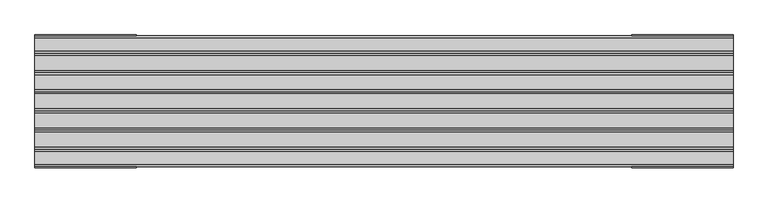
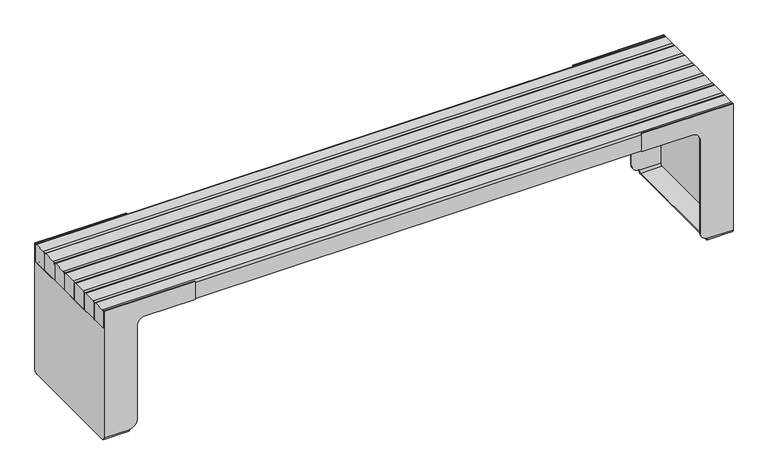
"""IFC4 building model written with IfcOpenShell, lengths in millimetres: furniture geometry."""

from ifc_helpers import new_model, si_unit, point, frame, frame_2d, origin, place, context, project, spatial, polyline, circle_curve, trimmed, segment, composite_curve, outline, extrude, source, transform, mapped, element, save
from ifc_brep_helpers import plane_surface, cylinder_surface, revolved_surface, advanced_brep


def furniture_72da6de6(model_context):
    return source(origin(), model_context, "Body", "SolidModel", [
        advanced_brep(
        [(920.0000032, 190.4999943, 10.0), (920.0000032, 180.4999943, 0.0), (920.0000032, -180.5000057, 0.0), (920.0000032, -190.5000057, 10.0), (920.0000032, -190.5000057, 11.2), (920.0000032, -187.5000057, 11.2), (920.0000032, -187.5000057, 9.6519473), (920.0000032, -180.5000057, 2.6519473), (920.0000032, 180.4999958, 2.6519473), (920.0000032, 187.4999958, 9.6519473), (920.0000032, 187.4999958, 11.2), (920.0000032, 190.4999943, 11.2), (920.0000032, 180.4999958, 372.0000043), (920.0000032, -180.5000057, 372.0000043), (920.0000032, -187.5000057, 365.0000043), (920.0000032, -187.4999958, 375.0000029), (920.0000032, 187.4999958, 375.0000029), (920.0000032, 187.4999958, 365.0000043), (1000.0000075, 190.5000057, 435.0000106), (1000.0000075, 187.4999958, 435.0000106), (1000.0000075, 187.4999958, 375.0000029), (1000.0000075, -187.4999958, 375.0000029), (1000.0000075, -187.4999958, 435.0000106), (1000.0000075, -190.5000057, 435.0000106), (1000.0000075, -190.5000057, 10.0), (1000.0000075, -180.5000057, 0.0), (1000.0000075, 180.4999943, 0.0), (1000.0000075, 190.4999943, 10.0), (895.000003, 190.4999943, 36.2000001), (895.000003, 190.4999943, 350.0000029), (870.000003, 190.4999943, 375.0000029), (710.0000125, 190.4999943, 375.0000029), (710.0000125, 190.4999943, 435.0000106), (710.0000125, -190.5000057, 435.0000106), (710.0000125, -190.5000057, 375.0000029), (870.000003, -190.5000057, 375.0000029), (895.000003, -190.5000057, 350.0000029), (895.000003, -190.5000057, 36.2000001), (895.000003, -187.4999958, 36.2000001), (895.000003, -187.4999958, 350.0000029), (870.000003, -187.4999958, 375.0000029), (710.0000125, -187.4999958, 375.0000029), (710.0000125, -187.4999958, 435.0000106), (895.000003, 187.4999958, 36.2000001), (895.000003, 187.4999958, 350.0000029), (870.000003, 187.4999958, 375.0000029), (710.0000125, 187.4999958, 375.0000029), (710.0000125, 187.4999958, 435.0000106), (989.0000078, 187.4999958, 365.0000043), (989.0000078, 187.4999958, 9.6519473), (989.0000078, 180.4999958, 2.6519473), (989.0000078, -180.5000057, 2.6519473), (989.0000078, -187.5000057, 9.6519473), (989.0000078, -187.5000057, 365.0000043), (989.0000078, -180.5000057, 372.0000043), (989.0000078, 180.4999958, 372.0000043)],
        [
            (0, 1, circle_curve(frame((920.0000032, 180.4999943, 10.0), z_axis=(-1.0, 0.0, 0.0), x_axis=(0.0, -1.0, 0.0)), 10.0)),
            (1, 2),
            (2, 3, circle_curve(frame((920.0000032, -180.5000057, 10.0), z_axis=(-1.0, 0.0, 0.0), x_axis=(0.0, -1.0, 0.0)), 10.0)),
            (3, 4),
            (4, 5),
            (5, 6),
            (6, 7, circle_curve(frame((920.0000032, -180.5000057, 9.6519473), z_axis=(1.0, 0.0, 0.0), x_axis=(0.0, -1.0, 0.0)), 7.0)),
            (7, 8),
            (8, 9, circle_curve(frame((920.0000032, 180.4999958, 9.6519473), z_axis=(1.0, 0.0, 0.0), x_axis=(0.0, -1.0, 0.0)), 7.0)),
            (9, 10),
            (10, 11),
            (11, 0),
            (12, 13),
            (13, 14, circle_curve(frame((920.0000032, -180.5000057, 365.0000043), z_axis=(1.0, 0.0, 0.0), x_axis=(0.0, -1.0, 0.0)), 7.0)),
            (14, 15),
            (15, 16),
            (16, 17),
            (17, 12, circle_curve(frame((920.0000032, 180.4999958, 365.0000043), z_axis=(1.0, 0.0, 0.0), x_axis=(0.0, -1.0, 0.0)), 7.0)),
            (18, 19),
            (19, 20),
            (20, 21),
            (21, 22),
            (22, 23),
            (23, 24),
            (24, 25, circle_curve(frame((1000.0000075, -180.5000057, 10.0), z_axis=(1.0, 0.0, 0.0), x_axis=(0.0, -1.0, 0.0)), 10.0)),
            (25, 26),
            (26, 27, circle_curve(frame((1000.0000075, 180.4999943, 10.0), z_axis=(1.0, 0.0, 0.0), x_axis=(0.0, -1.0, 0.0)), 10.0)),
            (27, 18),
            (27, 0),
            (11, 28, circle_curve(frame((920.0000032, 190.4999943, 36.2000001), z_axis=(0.0, 1.0, 0.0), x_axis=(-1.0, 0.0, 0.0)), 25.0000002)),
            (28, 29),
            (29, 30, circle_curve(frame((870.000003, 190.4999943, 350.0000029), z_axis=(0.0, -1.0, 0.0), x_axis=(-1.0, 0.0, 0.0)), 25.0)),
            (30, 31),
            (31, 32),
            (32, 18),
            (15, 21),
            (20, 16),
            (3, 24),
            (23, 33),
            (33, 34),
            (34, 35),
            (35, 36, circle_curve(frame((870.000003, -190.5000057, 350.0000029), z_axis=(0.0, 1.0, 0.0), x_axis=(-1.0, 0.0, 0.0)), 25.0)),
            (36, 37),
            (37, 4, circle_curve(frame((920.0000032, -190.5000057, 36.2000001), z_axis=(0.0, -1.0, 0.0), x_axis=(-1.0, 0.0, 0.0)), 25.0000002)),
            (2, 25),
            (1, 26),
            (37, 38),
            (38, 5, circle_curve(frame((920.0000032, -187.4999958, 36.2000001), z_axis=(0.0, -1.0, 0.0), x_axis=(-1.0, 0.0, 0.0)), 25.0000002)),
            (36, 39),
            (39, 38),
            (35, 40),
            (40, 39, circle_curve(frame((870.000003, -187.4999958, 350.0000029), z_axis=(0.0, 1.0, 0.0), x_axis=(-1.0, 0.0, 0.0)), 25.0)),
            (34, 41),
            (41, 40),
            (33, 42),
            (42, 41),
            (22, 42),
            (10, 43, circle_curve(frame((920.0000032, 187.4999958, 36.2000001), z_axis=(0.0, 1.0, 0.0), x_axis=(-1.0, 0.0, 0.0)), 25.0000002)),
            (43, 28),
            (43, 44),
            (44, 29),
            (44, 45, circle_curve(frame((870.000003, 187.4999958, 350.0000029), z_axis=(0.0, -1.0, 0.0), x_axis=(-1.0, 0.0, 0.0)), 25.0)),
            (45, 30),
            (45, 46),
            (46, 31),
            (46, 47),
            (47, 32),
            (47, 19),
            (48, 49),
            (49, 50, circle_curve(frame((989.0000078, 180.4999958, 9.6519473), z_axis=(-1.0, 0.0, 0.0), x_axis=(0.0, -1.0, 0.0)), 7.0)),
            (50, 51),
            (51, 52, circle_curve(frame((989.0000078, -180.5000057, 9.6519473), z_axis=(-1.0, 0.0, 0.0), x_axis=(0.0, -1.0, 0.0)), 7.0)),
            (52, 53),
            (53, 54, circle_curve(frame((989.0000078, -180.5000057, 365.0000043), z_axis=(-1.0, 0.0, 0.0), x_axis=(0.0, -1.0, 0.0)), 7.0)),
            (54, 55),
            (55, 48, circle_curve(frame((989.0000078, 180.4999958, 365.0000043), z_axis=(-1.0, 0.0, 0.0), x_axis=(0.0, -1.0, 0.0)), 7.0)),
            (54, 13),
            (12, 55),
            (52, 6),
            (14, 53),
            (50, 8),
            (7, 51),
            (48, 17),
            (9, 49),
        ],
        [
            plane_surface(frame((920.0000032, 170.4999943, 10.0), z_axis=(-1.0, 0.0, 0.0), x_axis=(0.0, 0.0, 1.0))),
            plane_surface(frame((1000.0000075, 170.4999943, 10.0), z_axis=(1.0, 0.0, 0.0), x_axis=(0.0, 0.0, -1.0))),
            plane_surface(frame((920.0000032, 190.4999943, 375.0000029), z_axis=(0.0, 1.0, 0.0), x_axis=(1.0, 0.0, 0.0))),
            plane_surface(frame((920.0000032, -190.5000057, 375.0000029), z_axis=(0.0, 0.0, 1.0), x_axis=(1.0, 0.0, 0.0))),
            plane_surface(frame((920.0000032, -190.5000057, 10.0), z_axis=(0.0, -1.0, 0.0), x_axis=(1.0, 0.0, 0.0))),
            cylinder_surface(frame((1000.0000075, -180.5000057, 10.0), z_axis=(-1.0, 0.0, 0.0), x_axis=(0.0, -1.0, 0.0)), 10.0),
            plane_surface(frame((920.0000032, 180.4999943, 0.0), z_axis=(0.0, 0.0, -1.0), x_axis=(1.0, 0.0, 0.0))),
            cylinder_surface(frame((1000.0000075, 180.4999943, 10.0), z_axis=(-1.0, 0.0, 0.0), x_axis=(0.0, -1.0, 0.0)), 10.0),
            cylinder_surface(frame((920.0000032, -187.4999958, 36.2000001), z_axis=(0.0, -1.0, 0.0), x_axis=(-1.0, 0.0, 0.0)), 25.0000002),
            plane_surface(frame((895.000003, -190.5000057, 350.0000029), z_axis=(-1.0, 0.0, 0.0), x_axis=(0.0, 1.0, 0.0))),
            revolved_surface(polyline([(845.000003, -187.4999958, 350.0000029), (845.000003, -190.5000057, 350.0000029)]), (870.000003, -187.4999958, 350.0000029), (0.0, 1.0, 0.0)),
            plane_surface(frame((710.0000125, -190.5000057, 375.0000029), z_axis=(0.0, 0.0, -1.0), x_axis=(0.0, 1.0, 0.0))),
            plane_surface(frame((710.0000125, -190.5000057, 435.0000106), z_axis=(-1.0, 0.0, 0.0), x_axis=(0.0, 1.0, 0.0))),
            plane_surface(frame((1000.0000075, -190.5000057, 435.0000106), z_axis=(0.0, 0.0, 1.0), x_axis=(0.0, 1.0, 0.0))),
            cylinder_surface(frame((920.0000032, 187.4999958, 36.2000001), z_axis=(0.0, 1.0, 0.0), x_axis=(-1.0, 0.0, 0.0)), 25.0000002),
            plane_surface(frame((895.000003, 190.5000057, 36.2000001), z_axis=(-1.0, 0.0, 0.0), x_axis=(0.0, -1.0, 0.0))),
            revolved_surface(polyline([(845.000003, 187.4999958, 350.0000029), (845.000003, 190.4999943, 350.0000029)]), (870.000003, 187.4999958, 350.0000029), (0.0, -1.0, 0.0)),
            plane_surface(frame((870.000003, 190.5000057, 375.0000029), z_axis=(0.0, 0.0, -1.0), x_axis=(0.0, -1.0, 0.0))),
            plane_surface(frame((710.0000125, 190.5000057, 375.0000029), z_axis=(-1.0, 0.0, 0.0), x_axis=(0.0, -1.0, 0.0))),
            plane_surface(frame((710.0000125, 190.5000057, 435.0000106), z_axis=(0.0, 0.0, 1.0), x_axis=(0.0, -1.0, 0.0))),
            plane_surface(frame((989.0000078, 187.4999958, 11.3137092), z_axis=(-1.0, 0.0, 0.0), x_axis=(0.0, 0.0, 1.0))),
            plane_surface(frame((870.0000119, -180.5000057, 372.0000043), z_axis=(0.0, 0.0, -1.0), x_axis=(1.0, 0.0, 0.0))),
            plane_surface(frame((870.0000119, -187.5000057, 9.6519473), z_axis=(0.0, 1.0, 0.0), x_axis=(1.0, 0.0, 0.0))),
            plane_surface(frame((870.0000119, 180.4999958, 2.6519473), z_axis=(0.0, 0.0, 1.0), x_axis=(1.0, 0.0, 0.0))),
            plane_surface(frame((870.0000119, 187.4999958, 365.0000043), z_axis=(0.0, -1.0, 0.0), x_axis=(1.0, 0.0, 0.0))),
            revolved_surface(polyline([(920.0000032, 173.4999958, 365.0000043), (989.0000078, 173.4999958, 365.0000043)]), (989.0000078, 180.4999958, 365.0000043), (-1.0, 0.0, 0.0)),
            revolved_surface(polyline([(920.0000032, -187.5000057, 365.0000043), (989.0000078, -187.5000057, 365.0000043)]), (989.0000078, -180.5000057, 365.0000043), (-1.0, 0.0, 0.0)),
            revolved_surface(polyline([(920.0000032, -187.5000057, 9.6519473), (989.0000078, -187.5000057, 9.6519473)]), (989.0000078, -180.5000057, 9.6519473), (-1.0, 0.0, 0.0)),
            revolved_surface(polyline([(920.0000032, 173.4999958, 9.6519473), (989.0000078, 173.4999958, 9.6519473)]), (989.0000078, 180.4999958, 9.6519473), (-1.0, 0.0, 0.0)),
        ],
        [
            (0, [[1, 2, 3, 4, 5, 6, 7, 8, 9, 10, 11, 12]]),
            (0, [[13, 14, 15, 16, 17, 18]]),
            (1, [[19, 20, 21, 22, 23, 24, 25, 26, 27, 28]]),
            (2, [[-28, 29, -12, 30, 31, 32, 33, 34, 35]]),
            (3, [[36, -21, 37, -16]]),
            (4, [[38, -24, 39, 40, 41, 42, 43, 44, -4]]),
            (5, [[-3, 45, -25, -38]]),
            (6, [[-2, 46, -26, -45]]),
            (7, [[-1, -29, -27, -46]]),
            (8, [[-44, 47, 48, -5]]),
            (9, [[-43, 49, 50, -47]]),
            (10, [[-42, 51, 52, -49]]),
            (11, [[-41, 53, 54, -51]]),
            (12, [[-40, 55, 56, -53]]),
            (13, [[-39, -23, 57, -55]]),
            (14, [[-30, -11, 58, 59]]),
            (15, [[-31, -59, 60, 61]]),
            (16, [[-32, -61, 62, 63]]),
            (17, [[-33, -63, 64, 65]]),
            (18, [[-34, -65, 66, 67]]),
            (19, [[-35, -67, 68, -19]]),
            (20, [[69, 70, 71, 72, 73, 74, 75, 76]]),
            (21, [[-75, 77, -13, 78]]),
            (22, [[-73, 79, -6, -48, -50, -52, -54, -56, -57, -22, -36, -15, 80]]),
            (23, [[-71, 81, -8, 82]]),
            (24, [[-69, 83, -17, -37, -20, -68, -66, -64, -62, -60, -58, -10, 84]]),
            (25, [[-76, -78, -18, -83]]),
            (26, [[-74, -80, -14, -77]]),
            (27, [[-72, -82, -7, -79]]),
            (28, [[-70, -84, -9, -81]]),
        ],
    ),
        advanced_brep(
        [(-920.0000032, -190.5000057, 10.0), (-920.0000032, -180.5000057, 0.0), (-920.0000032, 180.4999943, 0.0), (-920.0000032, 190.4999943, 10.0), (-920.0000032, 190.4999943, 11.2), (-920.0000032, 187.4999958, 11.2), (-920.0000032, 187.4999958, 9.6519473), (-920.0000032, 180.4999958, 2.6519473), (-920.0000032, -180.5000057, 2.6519473), (-920.0000032, -187.5000057, 9.6519473), (-920.0000032, -187.5000057, 11.2), (-920.0000032, -190.5000057, 11.2), (-920.0000032, -180.5000057, 372.0000043), (-920.0000032, 180.4999958, 372.0000043), (-920.0000032, 187.4999958, 365.0000043), (-920.0000032, 187.4999958, 375.0000029), (-920.0000032, -187.4999958, 375.0000029), (-920.0000032, -187.4999958, 365.0000043), (-1000.0000075, 190.4999943, 10.0), (-1000.0000075, 180.4999943, 0.0), (-1000.0000075, -180.5000057, 0.0), (-1000.0000075, -190.5000057, 10.0), (-1000.0000075, -190.5000057, 435.0000106), (-1000.0000075, -187.4999958, 435.0000106), (-1000.0000075, -187.4999958, 375.0000029), (-1000.0000075, 187.4999958, 375.0000029), (-1000.0000075, 187.4999958, 435.0000106), (-1000.0000075, 190.5000057, 435.0000106), (-710.0000125, 190.4999943, 435.0000106), (-710.0000125, 190.4999943, 375.0000029), (-870.000003, 190.4999943, 375.0000029), (-895.000003, 190.4999943, 350.0000029), (-895.000003, 190.4999943, 36.2000001), (-895.000003, -190.5000057, 36.2000001), (-895.000003, -190.5000057, 350.0000029), (-870.000003, -190.5000057, 375.0000029), (-710.0000125, -190.5000057, 375.0000029), (-710.0000125, -190.5000057, 435.0000106), (-895.000003, -187.4999958, 36.2000001), (-895.000003, -187.4999958, 350.0000029), (-870.000003, -187.4999958, 375.0000029), (-710.0000125, -187.4999958, 375.0000029), (-710.0000125, -187.4999958, 435.0000106), (-895.000003, 187.4999958, 36.2000001), (-895.000003, 187.4999958, 350.0000029), (-870.000003, 187.4999958, 375.0000029), (-710.0000125, 187.4999958, 375.0000029), (-710.0000125, 187.4999958, 435.0000106), (-989.0000078, 187.4999958, 365.0000043), (-989.0000078, 180.4999958, 372.0000043), (-989.0000078, -180.5000057, 372.0000043), (-989.0000078, -187.5000057, 365.0000043), (-989.0000078, -187.5000057, 9.6519473), (-989.0000078, -180.5000057, 2.6519473), (-989.0000078, 180.4999958, 2.6519473), (-989.0000078, 187.4999958, 9.6519473)],
        [
            (0, 1, circle_curve(frame((-920.0000032, -180.5000057, 10.0), z_axis=(1.0, 0.0, 0.0), x_axis=(0.0, -1.0, 0.0)), 10.0)),
            (1, 2),
            (2, 3, circle_curve(frame((-920.0000032, 180.4999943, 10.0), z_axis=(1.0, 0.0, 0.0), x_axis=(0.0, -1.0, 0.0)), 10.0)),
            (3, 4),
            (4, 5),
            (5, 6),
            (6, 7, circle_curve(frame((-920.0000032, 180.4999958, 9.6519473), z_axis=(-1.0, 0.0, 0.0), x_axis=(0.0, -1.0, 0.0)), 7.0)),
            (7, 8),
            (8, 9, circle_curve(frame((-920.0000032, -180.5000057, 9.6519473), z_axis=(-1.0, 0.0, 0.0), x_axis=(0.0, -1.0, 0.0)), 7.0)),
            (9, 10),
            (10, 11),
            (11, 0),
            (12, 13),
            (13, 14, circle_curve(frame((-920.0000032, 180.4999958, 365.0000043), z_axis=(-1.0, 0.0, 0.0), x_axis=(0.0, -1.0, 0.0)), 7.0)),
            (14, 15),
            (15, 16),
            (16, 17),
            (17, 12, circle_curve(frame((-920.0000032, -180.5000057, 365.0000043), z_axis=(-1.0, 0.0, 0.0), x_axis=(0.0, -1.0, 0.0)), 7.0)),
            (18, 19, circle_curve(frame((-1000.0000075, 180.4999943, 10.0), z_axis=(-1.0, 0.0, 0.0), x_axis=(0.0, -1.0, 0.0)), 10.0)),
            (19, 20),
            (20, 21, circle_curve(frame((-1000.0000075, -180.5000057, 10.0), z_axis=(-1.0, 0.0, 0.0), x_axis=(0.0, -1.0, 0.0)), 10.0)),
            (21, 22),
            (22, 23),
            (23, 24),
            (24, 25),
            (25, 26),
            (26, 27),
            (27, 18),
            (27, 28),
            (28, 29),
            (29, 30),
            (30, 31, circle_curve(frame((-870.000003, 190.4999943, 350.0000029), z_axis=(0.0, -1.0, 0.0), x_axis=(1.0, 0.0, 0.0)), 25.0)),
            (31, 32),
            (32, 4, circle_curve(frame((-920.0000032, 190.4999943, 36.2000001), z_axis=(0.0, 1.0, 0.0), x_axis=(1.0, 0.0, 0.0)), 25.0000002)),
            (3, 18),
            (24, 16),
            (15, 25),
            (21, 0),
            (11, 33, circle_curve(frame((-920.0000032, -190.5000057, 36.2000001), z_axis=(0.0, -1.0, 0.0), x_axis=(1.0, 0.0, 0.0)), 25.0000002)),
            (33, 34),
            (34, 35, circle_curve(frame((-870.000003, -190.5000057, 350.0000029), z_axis=(0.0, 1.0, 0.0), x_axis=(1.0, 0.0, 0.0)), 25.0)),
            (35, 36),
            (36, 37),
            (37, 22),
            (20, 1),
            (19, 2),
            (10, 38, circle_curve(frame((-920.0000032, -187.4999958, 36.2000001), z_axis=(0.0, -1.0, 0.0), x_axis=(1.0, 0.0, 0.0)), 25.0000002)),
            (38, 33),
            (38, 39),
            (39, 34),
            (39, 40, circle_curve(frame((-870.000003, -187.4999958, 350.0000029), z_axis=(0.0, 1.0, 0.0), x_axis=(1.0, 0.0, 0.0)), 25.0)),
            (40, 35),
            (40, 41),
            (41, 36),
            (41, 42),
            (42, 37),
            (42, 23),
            (32, 43),
            (43, 5, circle_curve(frame((-920.0000032, 187.4999958, 36.2000001), z_axis=(0.0, 1.0, 0.0), x_axis=(1.0, 0.0, 0.0)), 25.0000002)),
            (31, 44),
            (44, 43),
            (30, 45),
            (45, 44, circle_curve(frame((-870.000003, 187.4999958, 350.0000029), z_axis=(0.0, -1.0, 0.0), x_axis=(1.0, 0.0, 0.0)), 25.0)),
            (29, 46),
            (46, 45),
            (28, 47),
            (47, 46),
            (26, 47),
            (48, 49, circle_curve(frame((-989.0000078, 180.4999958, 365.0000043), z_axis=(1.0, 0.0, 0.0), x_axis=(0.0, -1.0, 0.0)), 7.0)),
            (49, 50),
            (50, 51, circle_curve(frame((-989.0000078, -180.5000057, 365.0000043), z_axis=(1.0, 0.0, 0.0), x_axis=(0.0, -1.0, 0.0)), 7.0)),
            (51, 52),
            (52, 53, circle_curve(frame((-989.0000078, -180.5000057, 9.6519473), z_axis=(1.0, 0.0, 0.0), x_axis=(0.0, -1.0, 0.0)), 7.0)),
            (53, 54),
            (54, 55, circle_curve(frame((-989.0000078, 180.4999958, 9.6519473), z_axis=(1.0, 0.0, 0.0), x_axis=(0.0, -1.0, 0.0)), 7.0)),
            (55, 48),
            (49, 13),
            (12, 50),
            (51, 17),
            (9, 52),
            (53, 8),
            (7, 54),
            (55, 6),
            (14, 48),
        ],
        [
            plane_surface(frame((-920.0000032, 190.4999943, 375.0000029), z_axis=(1.0, 0.0, 0.0), x_axis=(0.0, 0.0, 1.0))),
            plane_surface(frame((-1000.0000075, 190.4999943, 375.0000029), z_axis=(-1.0, 0.0, 0.0), x_axis=(0.0, 0.0, -1.0))),
            plane_surface(frame((-920.0000032, 190.4999943, 10.0), z_axis=(0.0, 1.0, 0.0), x_axis=(-1.0, 0.0, 0.0))),
            plane_surface(frame((-920.0000032, 190.4999943, 375.0000029), z_axis=(0.0, 0.0, 1.0), x_axis=(-1.0, 0.0, 0.0))),
            plane_surface(frame((-920.0000032, -190.5000057, 375.0000029), z_axis=(0.0, -1.0, 0.0), x_axis=(-1.0, 0.0, 0.0))),
            cylinder_surface(frame((-1000.0000075, -180.5000057, 10.0), z_axis=(1.0, 0.0, 0.0), x_axis=(0.0, -1.0, 0.0)), 10.0),
            plane_surface(frame((-920.0000032, -180.5000057, 0.0), z_axis=(0.0, 0.0, -1.0), x_axis=(-1.0, 0.0, 0.0))),
            cylinder_surface(frame((-1000.0000075, 180.4999943, 10.0), z_axis=(1.0, 0.0, 0.0), x_axis=(0.0, -1.0, 0.0)), 10.0),
            cylinder_surface(frame((-920.0000032, -187.4999958, 36.2000001), z_axis=(0.0, -1.0, 0.0), x_axis=(1.0, 0.0, 0.0)), 25.0000002),
            plane_surface(frame((-895.000003, -190.5000057, 36.2000001), z_axis=(1.0, 0.0, 0.0), x_axis=(0.0, 1.0, 0.0))),
            revolved_surface(polyline([(-845.000003, -187.4999958, 350.0000029), (-845.000003, -190.5000057, 350.0000029)]), (-870.000003, -187.4999958, 350.0000029), (0.0, 1.0, 0.0)),
            plane_surface(frame((-870.000003, -190.5000057, 375.0000029), z_axis=(0.0, 0.0, -1.0), x_axis=(0.0, 1.0, 0.0))),
            plane_surface(frame((-710.0000125, -190.5000057, 375.0000029), z_axis=(1.0, 0.0, 0.0), x_axis=(0.0, 1.0, 0.0))),
            plane_surface(frame((-710.0000125, -190.5000057, 435.0000106), z_axis=(0.0, 0.0, 1.0), x_axis=(0.0, 1.0, 0.0))),
            cylinder_surface(frame((-920.0000032, 187.4999958, 36.2000001), z_axis=(0.0, 1.0, 0.0), x_axis=(1.0, 0.0, 0.0)), 25.0000002),
            plane_surface(frame((-895.000003, 190.5000057, 350.0000029), z_axis=(1.0, 0.0, 0.0), x_axis=(0.0, -1.0, 0.0))),
            revolved_surface(polyline([(-845.000003, 187.4999958, 350.0000029), (-845.000003, 190.4999943, 350.0000029)]), (-870.000003, 187.4999958, 350.0000029), (0.0, -1.0, 0.0)),
            plane_surface(frame((-710.0000125, 190.5000057, 375.0000029), z_axis=(0.0, 0.0, -1.0), x_axis=(0.0, -1.0, 0.0))),
            plane_surface(frame((-710.0000125, 190.5000057, 435.0000106), z_axis=(1.0, 0.0, 0.0), x_axis=(0.0, -1.0, 0.0))),
            plane_surface(frame((-1000.0000075, 190.5000057, 435.0000106), z_axis=(0.0, 0.0, 1.0), x_axis=(0.0, -1.0, 0.0))),
            plane_surface(frame((-989.0000078, 173.4999958, 365.0000043), z_axis=(1.0, 0.0, 0.0), x_axis=(0.0, 0.0, 1.0))),
            plane_surface(frame((-870.0000119, 180.4999958, 372.0000043), z_axis=(0.0, 0.0, -1.0), x_axis=(-1.0, 0.0, 0.0))),
            plane_surface(frame((-870.0000119, -187.5000057, 365.0000043), z_axis=(0.0, 1.0, 0.0), x_axis=(-1.0, 0.0, 0.0))),
            plane_surface(frame((-870.0000119, -180.5000057, 2.6519473), z_axis=(0.0, 0.0, 1.0), x_axis=(-1.0, 0.0, 0.0))),
            plane_surface(frame((-870.0000119, 187.4999958, 9.6519473), z_axis=(0.0, -1.0, 0.0), x_axis=(-1.0, 0.0, 0.0))),
            revolved_surface(polyline([(-920.0000032, 173.4999958, 365.0000043), (-989.0000078, 173.4999958, 365.0000043)]), (-989.0000078, 180.4999958, 365.0000043), (1.0, 0.0, 0.0)),
            revolved_surface(polyline([(-920.0000032, -187.5000057, 365.0000043), (-989.0000078, -187.5000057, 365.0000043)]), (-989.0000078, -180.5000057, 365.0000043), (1.0, 0.0, 0.0)),
            revolved_surface(polyline([(-920.0000032, -187.5000057, 9.6519473), (-989.0000078, -187.5000057, 9.6519473)]), (-989.0000078, -180.5000057, 9.6519473), (1.0, 0.0, 0.0)),
            revolved_surface(polyline([(-920.0000032, 173.4999958, 9.6519473), (-989.0000078, 173.4999958, 9.6519473)]), (-989.0000078, 180.4999958, 9.6519473), (1.0, 0.0, 0.0)),
        ],
        [
            (0, [[1, 2, 3, 4, 5, 6, 7, 8, 9, 10, 11, 12]]),
            (0, [[13, 14, 15, 16, 17, 18]]),
            (1, [[19, 20, 21, 22, 23, 24, 25, 26, 27, 28]]),
            (2, [[-28, 29, 30, 31, 32, 33, 34, -4, 35]]),
            (3, [[36, -16, 37, -25]]),
            (4, [[38, -12, 39, 40, 41, 42, 43, 44, -22]]),
            (5, [[-1, -38, -21, 45]]),
            (6, [[-2, -45, -20, 46]]),
            (7, [[-3, -46, -19, -35]]),
            (8, [[-39, -11, 47, 48]]),
            (9, [[-40, -48, 49, 50]]),
            (10, [[-41, -50, 51, 52]]),
            (11, [[-42, -52, 53, 54]]),
            (12, [[-43, -54, 55, 56]]),
            (13, [[-44, -56, 57, -23]]),
            (14, [[-34, 58, 59, -5]]),
            (15, [[-33, 60, 61, -58]]),
            (16, [[-32, 62, 63, -60]]),
            (17, [[-31, 64, 65, -62]]),
            (18, [[-30, 66, 67, -64]]),
            (19, [[-29, -27, 68, -66]]),
            (20, [[69, 70, 71, 72, 73, 74, 75, 76]]),
            (21, [[-70, 77, -13, 78]]),
            (22, [[-72, 79, -17, -36, -24, -57, -55, -53, -51, -49, -47, -10, 80]]),
            (23, [[-74, 81, -8, 82]]),
            (24, [[-76, 83, -6, -59, -61, -63, -65, -67, -68, -26, -37, -15, 84]]),
            (25, [[-69, -84, -14, -77]]),
            (26, [[-71, -78, -18, -79]]),
            (27, [[-73, -80, -9, -81]]),
            (28, [[-75, -82, -7, -83]]),
        ],
    ),
        extrude(outline(composite_curve([segment(trimmed(circle_curve(frame_2d((88.4999913, 429.0000106)), 6.0), [point((82.4999913, 429.0000106))], [point((88.4999913, 435.0000106))], False, "CARTESIAN"), True, "CONTINUOUS"), segment(polyline([(88.4999913, 435.0000106), (131.4849653, 435.0000106)]), True, "CONTINUOUS"), segment(trimmed(circle_curve(frame_2d((131.4849653, 428.9849806)), 6.01503), [point((131.4849653, 435.0000106))], [point((137.4999954, 428.9849806))], False, "CARTESIAN"), True, "CONTINUOUS"), segment(polyline([(137.4999954, 428.9849806), (137.4999954, 375.0000029), (82.4999913, 375.0000029), (82.4999913, 429.0000106)]), True, "CONTINUOUS")], self_intersect=False)), frame((-1000.0000075, 0.0, 0.0), z_axis=(1.0, 0.0, 0.0), x_axis=(0.0, 1.0, 0.0)), (0.0, 0.0, 1.0), 2000.0000153),
        extrude(outline(composite_curve([segment(trimmed(circle_curve(frame_2d((-21.4999963, 429.0000106)), 6.0), [point((-27.4999963, 429.0000106))], [point((-21.4999963, 435.0000106))], False, "CARTESIAN"), True, "CONTINUOUS"), segment(polyline([(-21.4999963, 435.0000106), (21.4849663, 435.0000106)]), True, "CONTINUOUS"), segment(trimmed(circle_curve(frame_2d((21.4849663, 428.9849806)), 6.01503), [point((21.4849663, 435.0000106))], [point((27.4999963, 428.9849806))], False, "CARTESIAN"), True, "CONTINUOUS"), segment(polyline([(27.4999963, 428.9849806), (27.4999963, 375.0000029), (-27.4999963, 375.0000029), (-27.4999963, 429.0000106)]), True, "CONTINUOUS")], self_intersect=False)), frame((-1000.0000075, 0.0, 0.0), z_axis=(1.0, 0.0, 0.0), x_axis=(0.0, 1.0, 0.0)), (0.0, 0.0, 1.0), 2000.0000153),
        extrude(outline(composite_curve([segment(trimmed(circle_curve(frame_2d((-131.4999954, 429.0000106)), 6.0), [point((-137.4999954, 429.0000106))], [point((-131.4999954, 435.0000106))], False, "CARTESIAN"), True, "CONTINUOUS"), segment(polyline([(-131.4999954, 435.0000106), (-88.5150214, 435.0000106)]), True, "CONTINUOUS"), segment(trimmed(circle_curve(frame_2d((-88.5150214, 428.9849806)), 6.01503), [point((-88.5150214, 435.0000106))], [point((-82.4999913, 428.9849806))], False, "CARTESIAN"), True, "CONTINUOUS"), segment(polyline([(-82.4999913, 428.9849806), (-82.4999913, 375.0000029), (-137.4999954, 375.0000029), (-137.4999954, 429.0000106)]), True, "CONTINUOUS")], self_intersect=False)), frame((-1000.0000075, 0.0, 0.0), z_axis=(1.0, 0.0, 0.0), x_axis=(0.0, 1.0, 0.0)), (0.0, 0.0, 1.0), 2000.0000153),
        extrude(outline(composite_curve([segment(trimmed(circle_curve(frame_2d((143.4999954, 429.0000106)), 6.0), [point((137.4999954, 429.0000106))], [point((143.4999954, 435.0000106))], False, "CARTESIAN"), True, "CONTINUOUS"), segment(polyline([(143.4999954, 435.0000106), (181.4849657, 435.0000106)]), True, "CONTINUOUS"), segment(trimmed(circle_curve(frame_2d((181.4849657, 428.9849806)), 6.01503), [point((181.4849657, 435.0000106))], [point((187.4999958, 428.9849806))], False, "CARTESIAN"), True, "CONTINUOUS"), segment(polyline([(187.4999958, 428.9849806), (187.4999958, 375.0000029), (137.4999954, 375.0000029), (137.4999954, 429.0000106)]), True, "CONTINUOUS")], self_intersect=False)), frame((-1000.0000075, 0.0, 0.0), z_axis=(1.0, 0.0, 0.0), x_axis=(0.0, 1.0, 0.0)), (0.0, 0.0, 1.0), 2000.0000153),
        extrude(outline(composite_curve([segment(trimmed(circle_curve(frame_2d((76.4999913, 429.0000106)), 6.0), [point((76.4999913, 435.0000106))], [point((82.4999913, 429.0000106))], False, "CARTESIAN"), True, "CONTINUOUS"), segment(polyline([(82.4999913, 429.0000106), (82.4999913, 375.0000029), (27.4999963, 375.0000029), (27.4999963, 429.0000106)]), True, "CONTINUOUS"), segment(trimmed(circle_curve(frame_2d((33.4999963, 429.0000106)), 6.0), [point((27.4999963, 429.0000106))], [point((33.4999963, 435.0000106))], False, "CARTESIAN"), True, "CONTINUOUS"), segment(polyline([(33.4999963, 435.0000106), (76.4999913, 435.0000106)]), True, "CONTINUOUS")], self_intersect=False)), frame((-1000.0000075, 0.0, 0.0), z_axis=(1.0, 0.0, 0.0), x_axis=(0.0, 1.0, 0.0)), (0.0, 0.0, 1.0), 2000.0000153),
        extrude(outline(composite_curve([segment(polyline([(-27.4999963, 429.0000106), (-27.4999963, 375.0000029), (-82.4999913, 375.0000029), (-82.4999913, 429.0000106)]), True, "CONTINUOUS"), segment(trimmed(circle_curve(frame_2d((-76.4999913, 429.0000106)), 6.0), [point((-82.4999913, 429.0000106))], [point((-76.4999913, 435.0000106))], False, "CARTESIAN"), True, "CONTINUOUS"), segment(polyline([(-76.4999913, 435.0000106), (-33.4999963, 435.0000106)]), True, "CONTINUOUS"), segment(trimmed(circle_curve(frame_2d((-33.4999963, 429.0000106)), 6.0), [point((-33.4999963, 435.0000106))], [point((-27.4999963, 429.0000106))], False, "CARTESIAN"), True, "CONTINUOUS")], self_intersect=False)), frame((-1000.0000075, 0.0, 0.0), z_axis=(1.0, 0.0, 0.0), x_axis=(0.0, 1.0, 0.0)), (0.0, 0.0, 1.0), 2000.0000153),
        extrude(outline(composite_curve([segment(polyline([(-137.4999954, 429.0000106), (-137.4999954, 375.0000029), (-187.4999958, 375.0000029), (-187.4999958, 429.0000106)]), True, "CONTINUOUS"), segment(trimmed(circle_curve(frame_2d((-181.4999958, 429.0000106)), 6.0), [point((-187.4999958, 429.0000106))], [point((-181.4999958, 435.0000106))], False, "CARTESIAN"), True, "CONTINUOUS"), segment(polyline([(-181.4999958, 435.0000106), (-143.4999954, 435.0000106)]), True, "CONTINUOUS"), segment(trimmed(circle_curve(frame_2d((-143.4999954, 429.0000106)), 6.0), [point((-143.4999954, 435.0000106))], [point((-137.4999954, 429.0000106))], False, "CARTESIAN"), True, "CONTINUOUS")], self_intersect=False)), frame((-1000.0000075, 0.0, 0.0), z_axis=(1.0, 0.0, 0.0), x_axis=(0.0, 1.0, 0.0)), (0.0, 0.0, 1.0), 2000.0000153),
    ])


if __name__ == "__main__":
    model = new_model("IFC4")
    model_context = context("Model", 3, world=origin())
    ifc_project = project(units=[si_unit("LENGTHUNIT", "METRE", prefix="MILLI")], contexts=[model_context])
    site = spatial("IfcSite", under=ifc_project)
    building = spatial("IfcBuilding", under=site)
    placement = place(None, origin())
    furniture_shape = furniture_72da6de6(model_context)
    element("IfcFurniture", 1, at=placement, inside=building, context=model_context, shape_type="MappedRepresentation", body=[
        mapped(furniture_shape, transform((0.0, 0.0, 0.0), x_axis=(1.0, 0.0, 0.0), y_axis=(0.0, 1.0, 0.0), z_axis=(0.0, 0.0, 1.0))),
    ])
    save(model, "model.ifc")
